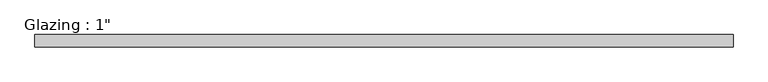
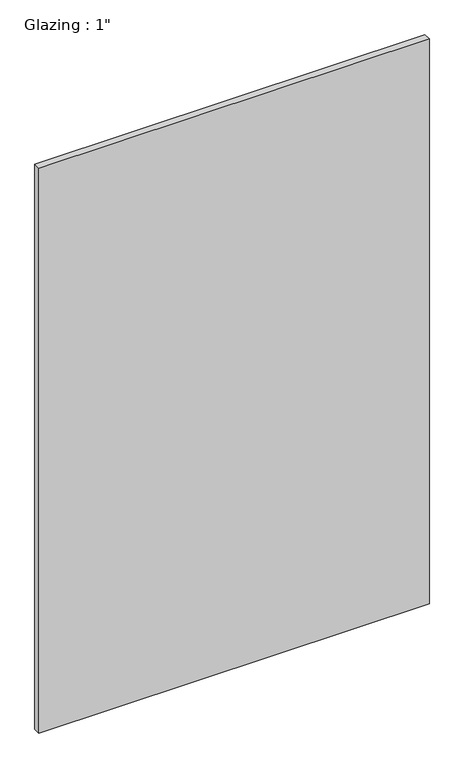
"""IFC4 building model written with IfcOpenShell, lengths in millimetres: plate geometry."""

from ifc_helpers import new_model, si_unit, origin, origin_with_axes, place, context, project, spatial, polyline, outline, extrude, source, transform, mapped, element, save


def plate_e474456e(model_context):
    return source(origin(), model_context, "Body", "SweptSolid", [
        extrude(outline(polyline([(712.2527053, 12.7), (712.2527053, -12.7), (-712.2527053, -12.7), (-712.2527053, 12.7), (712.2527053, 12.7)])), origin_with_axes(), (0.0, 0.0, 1.0), 2177.9424222),
    ])


if __name__ == "__main__":
    model = new_model("IFC4")
    model_context = context("Model", 3, world=origin())
    ifc_project = project(units=[si_unit("LENGTHUNIT", "METRE", prefix="MILLI")], contexts=[model_context])
    site = spatial("IfcSite", under=ifc_project)
    building = spatial("IfcBuilding", under=site)
    placement = place(None, origin())
    plate_shape = plate_e474456e(model_context)
    element("IfcPlate", 1, ObjectType="Glazing : 1\"", at=placement, inside=building, context=model_context, shape_type="MappedRepresentation", body=[
        mapped(plate_shape, transform((0.0, 0.0, 0.0), x_axis=(1.0, 0.0, 0.0), y_axis=(0.0, 1.0, 0.0), z_axis=(0.0, 0.0, 1.0))),
    ])
    save(model, "model.ifc")
